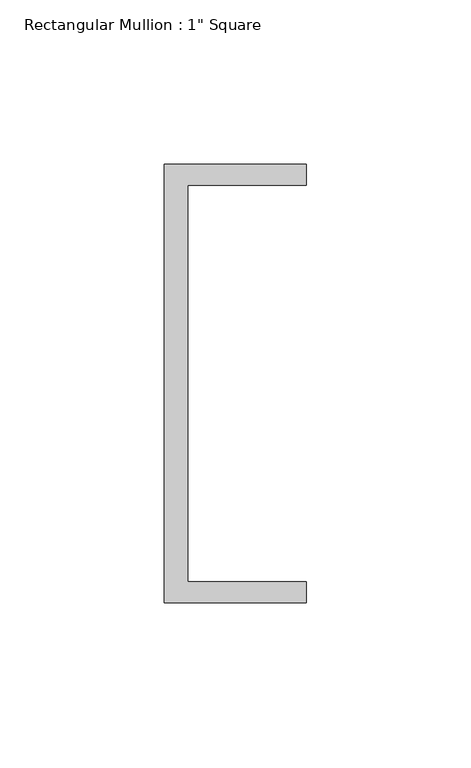
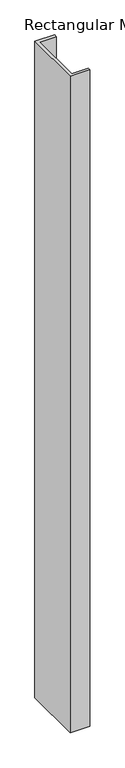
"""IFC4 building model written with IfcOpenShell, lengths in millimetres: member geometry."""

from ifc_helpers import new_model, si_unit, frame, origin, place, context, project, spatial, polyline, outline, extrude, source, transform, mapped, element, save


def member_2d7dab8b(model_context):
    return source(origin(), model_context, "Body", "SweptSolid", [
        extrude(outline(polyline([(-18.6549463, 135.2608739), (24.5675083, 135.2608739), (24.5675083, 128.9108739), (-11.6110886, 128.9108739), (-11.6110886, 8.2608739), (24.5675083, 8.2608739), (24.5675083, 1.9108739), (-18.6549463, 1.9108739), (-18.6549463, 135.2608739)])), frame((0.0, 0.0, -1518.7832667), z_axis=(0.0, 0.0, 1.0), x_axis=(1.0, 0.0, 0.0)), (0.0, 0.0, 1.0), 1518.7832667),
    ])


if __name__ == "__main__":
    model = new_model("IFC4")
    model_context = context("Model", 3, world=origin())
    ifc_project = project(units=[si_unit("LENGTHUNIT", "METRE", prefix="MILLI")], contexts=[model_context])
    site = spatial("IfcSite", under=ifc_project)
    building = spatial("IfcBuilding", under=site)
    placement = place(None, origin())
    member_shape = member_2d7dab8b(model_context)
    element("IfcMember", 1, ObjectType="Rectangular Mullion : 1\" Square", at=placement, inside=building, context=model_context, shape_type="MappedRepresentation", body=[
        mapped(member_shape, transform((0.0, 0.0, 0.0), x_axis=(1.0, 0.0, 0.0), y_axis=(0.0, 1.0, 0.0), z_axis=(0.0, 0.0, 1.0))),
    ])
    save(model, "model.ifc")
